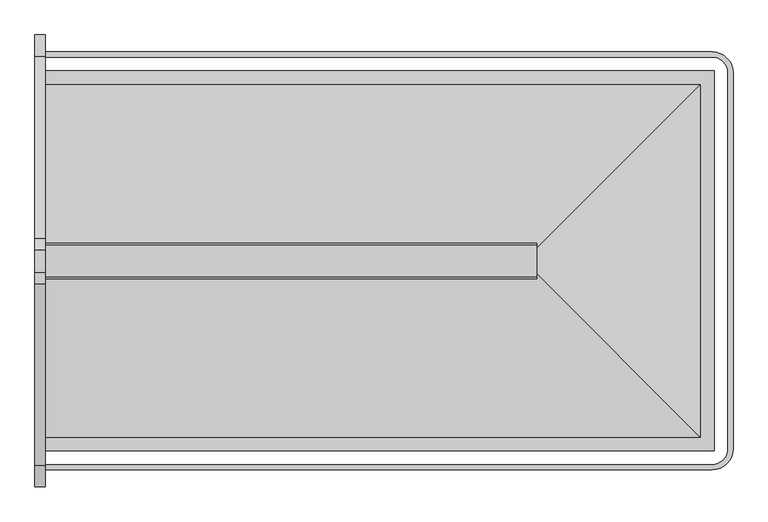
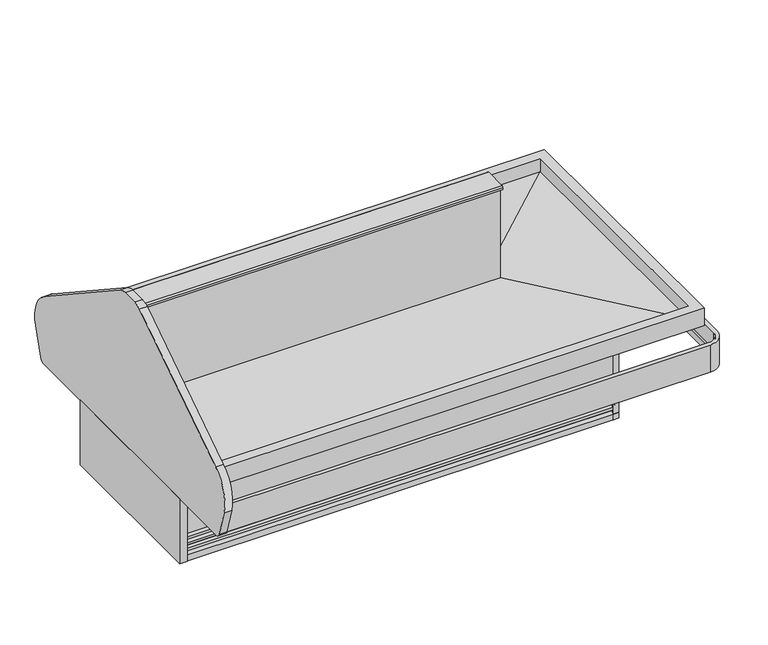
"""IFC4 building model written with IfcOpenShell, lengths in millimetres: proxy geometry."""

from ifc_helpers import new_model, si_unit, point, frame, frame_2d, origin, origin_with_axes, place, context, project, spatial, polyline, circle_curve, ellipse_curve, trimmed, segment, composite_curve, outline, extrude, faceted_brep, source, transform, mapped, element, save
from ifc_brep_helpers import plane_surface, cylinder_surface, revolved_surface, advanced_brep


def mechanical_equipment_c48a4654(model_context):
    return source(origin(), model_context, "Body", "SolidModel", [
        extrude(outline(polyline([(1744.4471585, -1349.5419805), (2049.2471585, -1349.5419805), (2049.2471585, -1451.1419805), (1744.4471585, -1451.1419805), (1744.4471585, -1349.5419805)])), frame((0.0, 0.0, 139.7), z_axis=(0.0, 0.0, 1.0), x_axis=(1.0, 0.0, 0.0)), (0.0, 0.0, 1.0), 53.975),
        extrude(outline(polyline([(2140.9598969, -1584.9212739), (2140.9598969, -1559.5212739), (2167.7766466, -1559.5212739), (2167.7766466, -1584.9212739), (2140.9598969, -1584.9212739)])), origin_with_axes(), (0.0, 0.0, 1.0), 374.65),
        extrude(outline(polyline([(2140.9598969, -741.8679807), (2167.7766466, -741.8679807), (2167.7766466, -767.2679807), (2140.9598969, -767.2679807), (2140.9598969, -741.8679807)])), origin_with_axes(), (0.0, 0.0, 1.0), 374.65),
        extrude(outline(polyline([(0.0, -731.9819232), (0.0, -1595.5819232), (-38.1, -1595.5819232), (-38.1, -731.9819232), (0.0, -731.9819232)])), frame((0.0, 0.0, 6.9057478), z_axis=(0.0, 0.0, 1.0), x_axis=(1.0, 0.0, 0.0)), (0.0, 0.0, 1.0), 345.0493522),
        extrude(outline(composite_curve([segment(trimmed(circle_curve(frame_2d((-516.8439232, 562.0131)), 177.8), [point((-419.2796259, 710.653767))], [point((-346.4870073, 511.107686))], False, "CARTESIAN"), True, "CONTINUOUS"), segment(polyline([(-346.4870073, 511.107686), (-388.6275049, 370.082898)]), True, "CONTINUOUS"), segment(trimmed(circle_curve(frame_2d((-412.9642072, 377.3551)), 25.4), [point((-388.6275049, 370.082898))], [point((-412.9642072, 351.9551))], False, "CARTESIAN"), True, "CONTINUOUS"), segment(polyline([(-412.9642072, 351.9551), (-1914.5996393, 351.9551)]), True, "CONTINUOUS"), segment(trimmed(circle_curve(frame_2d((-1914.5996393, 377.3551)), 25.4), [point((-1914.5996393, 351.9551))], [point((-1938.9363416, 370.082898))], False, "CARTESIAN"), True, "CONTINUOUS"), segment(polyline([(-1938.9363416, 370.082898), (-1981.0768392, 511.107686)]), True, "CONTINUOUS"), segment(trimmed(circle_curve(frame_2d((-1810.7199232, 562.0131)), 177.8), [point((-1981.0768392, 511.107686))], [point((-1908.2842206, 710.653767))], False, "CARTESIAN"), True, "CONTINUOUS"), segment(polyline([(-1908.2842206, 710.653767), (-1246.8701935, 1144.790643)]), True, "CONTINUOUS"), segment(trimmed(circle_curve(frame_2d((-1205.0569232, 1081.0875)), 76.2), [point((-1246.8701935, 1144.790643))], [point((-1205.0569232, 1157.2875))], False, "CARTESIAN"), True, "CONTINUOUS"), segment(polyline([(-1205.0569232, 1157.2875), (-1122.5069232, 1157.2875)]), True, "CONTINUOUS"), segment(trimmed(circle_curve(frame_2d((-1122.5069232, 1081.0875)), 76.2), [point((-1122.5069232, 1157.2875))], [point((-1080.693653, 1144.790643))], False, "CARTESIAN"), True, "CONTINUOUS"), segment(polyline([(-1080.693653, 1144.790643), (-419.2796259, 710.653767)]), True, "CONTINUOUS")], self_intersect=False)), frame((-38.1, 0.0, 0.0), z_axis=(1.0, 0.0, 0.0), x_axis=(0.0, 1.0, 0.0)), (0.0, 0.0, 1.0), 38.1),
        advanced_brep(
        [(0.0, -420.1796936, 418.0867024), (0.0, -416.2093665, 395.5698585), (2432.1002227, -416.2093665, 395.5698585), (2432.1002227, -420.1796936, 418.0867024), (0.0, -420.1796936, 502.405218), (2432.1002227, -420.1796936, 502.405218), (0.0, -401.4773665, 502.405218), (2489.4649337, -477.5444046, 502.405218), (2489.4649337, -1849.24485, 502.405218), (2432.1002227, -1906.609561, 502.405218), (0.0, -1906.609561, 502.405218), (0.0, -1925.3118881, 502.405218), (2432.1002227, -1925.3118881, 502.405218), (2508.1672608, -1849.24485, 502.405218), (2508.1672608, -477.5444046, 502.405218), (2432.1002227, -401.4773665, 502.405218), (0.0, -401.4773665, 359.148946), (2432.1002227, -401.4773665, 359.148946), (0.0, -416.2093665, 359.148946), (2508.1672608, -477.5444046, 359.148946), (2508.1672608, -1849.24485, 359.148946), (2432.1002227, -1925.3118881, 359.148946), (0.0, -1925.3118881, 359.148946), (0.0, -1910.5798881, 359.148946), (2432.1002227, -1910.5798881, 359.148946), (2493.4352608, -1849.24485, 359.148946), (2493.4352608, -477.5444046, 359.148946), (2432.1002227, -416.2093665, 359.148946), (2489.4649337, -477.5444046, 418.0867024), (2493.4352608, -477.5444046, 395.5698585), (2493.4352608, -1849.24485, 395.5698585), (2489.4649337, -1849.24485, 418.0867024), (2432.1002227, -1906.609561, 418.0867024), (2432.1002227, -1910.5798881, 395.5698585), (0.0, -1910.5798881, 395.5698585), (0.0, -1906.609561, 418.0867024)],
        [
            (0, 1),
            (1, 2),
            (2, 3),
            (3, 0),
            (4, 0),
            (3, 5),
            (5, 4),
            (6, 4),
            (5, 7, circle_curve(frame((2432.1002227, -477.5444046, 502.405218), z_axis=(0.0, 0.0, -1.0), x_axis=(0.0, 1.0, 0.0)), 57.364711)),
            (7, 8),
            (8, 9, circle_curve(frame((2432.1002227, -1849.24485, 502.405218), z_axis=(0.0, 0.0, -1.0), x_axis=(1.0, 0.0, 0.0)), 57.364711)),
            (9, 10),
            (10, 11),
            (11, 12),
            (12, 13, circle_curve(frame((2432.1002227, -1849.24485, 502.405218), z_axis=(0.0, 0.0, 1.0), x_axis=(1.0, 0.0, 0.0)), 76.0670381)),
            (13, 14),
            (14, 15, circle_curve(frame((2432.1002227, -477.5444046, 502.405218), z_axis=(0.0, 0.0, 1.0), x_axis=(0.0, 1.0, 0.0)), 76.0670381)),
            (15, 6),
            (16, 6),
            (15, 17),
            (17, 16),
            (18, 16),
            (17, 19, circle_curve(frame((2432.1002227, -477.5444046, 359.148946), z_axis=(0.0, 0.0, -1.0), x_axis=(0.0, 1.0, 0.0)), 76.0670381)),
            (19, 20),
            (20, 21, circle_curve(frame((2432.1002227, -1849.24485, 359.148946), z_axis=(0.0, 0.0, -1.0), x_axis=(1.0, 0.0, 0.0)), 76.0670381)),
            (21, 22),
            (22, 23),
            (23, 24),
            (24, 25, circle_curve(frame((2432.1002227, -1849.24485, 359.148946), z_axis=(0.0, 0.0, 1.0), x_axis=(1.0, 0.0, 0.0)), 61.3350381)),
            (25, 26),
            (26, 27, circle_curve(frame((2432.1002227, -477.5444046, 359.148946), z_axis=(0.0, 0.0, 1.0), x_axis=(0.0, 1.0, 0.0)), 61.3350381)),
            (27, 18),
            (1, 18),
            (27, 2),
            (28, 3, circle_curve(frame((2432.1002227, -477.5444046, 418.0867024), z_axis=(0.0, 0.0, 1.0), x_axis=(0.0, 1.0, 0.0)), 57.364711)),
            (2, 29, circle_curve(frame((2432.1002227, -477.5444046, 395.5698585), z_axis=(0.0, 0.0, -1.0), x_axis=(0.0, 1.0, 0.0)), 61.3350381)),
            (29, 28),
            (28, 7),
            (14, 19),
            (26, 29),
            (29, 30),
            (30, 31),
            (31, 28),
            (31, 8),
            (13, 20),
            (25, 30),
            (32, 31, circle_curve(frame((2432.1002227, -1849.24485, 418.0867024), z_axis=(0.0, 0.0, 1.0), x_axis=(1.0, 0.0, 0.0)), 57.364711)),
            (30, 33, circle_curve(frame((2432.1002227, -1849.24485, 395.5698585), z_axis=(0.0, 0.0, -1.0), x_axis=(1.0, 0.0, 0.0)), 61.3350381)),
            (33, 32),
            (32, 9),
            (12, 21),
            (24, 33),
            (34, 23),
            (22, 11),
            (10, 35),
            (35, 34),
            (33, 34),
            (35, 32),
        ],
        [
            plane_surface(frame((0.0, -416.2093665, 395.5698585), z_axis=(0.0, -0.9848077530122059, -0.17364817766694265), x_axis=(1.0, 0.0, 0.0))),
            plane_surface(frame((0.0, -420.1796936, 418.0867024), z_axis=(0.0, -1.0, 0.0), x_axis=(1.0, 0.0, 0.0))),
            plane_surface(frame((0.0, -420.1796936, 502.405218), z_axis=(0.0, 0.0, 1.0), x_axis=(1.0, 0.0, 0.0))),
            plane_surface(frame((0.0, -401.4773665, 502.405218), z_axis=(0.0, 1.0, 0.0), x_axis=(1.0, 0.0, 0.0))),
            plane_surface(frame((0.0, -401.4773665, 359.148946), z_axis=(0.0, 0.0, -1.0), x_axis=(1.0, 0.0, 0.0))),
            plane_surface(frame((0.0, -416.2093665, 359.148946), z_axis=(0.0, -1.0, 0.0), x_axis=(1.0, 0.0, 0.0))),
            revolved_surface(polyline([(2432.1002227, -416.2093665, 395.5698585), (2432.1002227, -420.1796936, 418.0867024)]), (2432.1002227, -477.5444046, 0.0), (0.0, 0.0, -1.0)),
            revolved_surface(polyline([(2432.1002227, -420.1796936, 418.0867024), (2432.1002227, -420.1796936, 502.405218)]), (2432.1002227, -477.5444046, 0.0), (0.0, 0.0, -1.0)),
            cylinder_surface(frame((2432.1002227, -477.5444046, 0.0), z_axis=(0.0, 0.0, -1.0), x_axis=(0.0, 1.0, 0.0)), 76.0670381),
            revolved_surface(polyline([(2432.1002227, -416.2093665, 359.148946), (2432.1002227, -416.2093665, 395.5698585)]), (2432.1002227, -477.5444046, 0.0), (0.0, 0.0, -1.0)),
            plane_surface(frame((2493.4352608, -477.5444046, 395.5698585), z_axis=(-0.9848077530122059, 0.0, -0.17364817766694265), x_axis=(0.0, -1.0, 0.0))),
            plane_surface(frame((2489.4649337, -477.5444046, 418.0867024), z_axis=(-1.0, 0.0, 0.0), x_axis=(0.0, -1.0, 0.0))),
            plane_surface(frame((2508.1672608, -477.5444046, 502.405218), z_axis=(1.0, 0.0, 0.0), x_axis=(0.0, -1.0, 0.0))),
            plane_surface(frame((2493.4352608, -477.5444046, 359.148946), z_axis=(-1.0, 0.0, 0.0), x_axis=(0.0, -1.0, 0.0))),
            revolved_surface(polyline([(2493.4352608, -1849.24485, 395.5698585), (2489.4649337, -1849.24485, 418.0867024)]), (2432.1002227, -1849.24485, 0.0), (0.0, 0.0, -1.0)),
            revolved_surface(polyline([(2489.4649337, -1849.24485, 418.0867024), (2489.4649337, -1849.24485, 502.405218)]), (2432.1002227, -1849.24485, 0.0), (0.0, 0.0, -1.0)),
            cylinder_surface(frame((2432.1002227, -1849.24485, 0.0), z_axis=(0.0, 0.0, -1.0), x_axis=(1.0, 0.0, 0.0)), 76.0670381),
            revolved_surface(polyline([(2493.4352608, -1849.24485, 359.148946), (2493.4352608, -1849.24485, 395.5698585)]), (2432.1002227, -1849.24485, 0.0), (0.0, 0.0, -1.0)),
            plane_surface(frame((0.0, -1925.44485, 0.0), z_axis=(-1.0, 0.0, 0.0), x_axis=(0.0, 0.0, 1.0))),
            plane_surface(frame((2432.1002227, -1910.5798881, 395.5698585), z_axis=(0.0, 0.9848077530122059, -0.17364817766694265), x_axis=(-1.0, 0.0, 0.0))),
            plane_surface(frame((2432.1002227, -1906.609561, 418.0867024), z_axis=(0.0, 1.0, 0.0), x_axis=(-1.0, 0.0, 0.0))),
            plane_surface(frame((2432.1002227, -1925.3118881, 502.405218), z_axis=(0.0, -1.0, 0.0), x_axis=(-1.0, 0.0, 0.0))),
            plane_surface(frame((2432.1002227, -1910.5798881, 359.148946), z_axis=(0.0, 1.0, 0.0), x_axis=(-1.0, 0.0, 0.0))),
            plane_surface(frame((0.0, -401.3444046, 0.0), z_axis=(-1.0, 0.0, 0.0), x_axis=(0.0, 0.0, 1.0))),
        ],
        [
            (0, [[1, 2, 3, 4]]),
            (1, [[5, -4, 6, 7]]),
            (2, [[8, -7, 9, 10, 11, 12, 13, 14, 15, 16, 17, 18]]),
            (3, [[19, -18, 20, 21]]),
            (4, [[22, -21, 23, 24, 25, 26, 27, 28, 29, 30, 31, 32]]),
            (5, [[33, -32, 34, -2]]),
            (6, [[35, -3, 36, 37]]),
            (7, [[-9, -6, -35, 38]]),
            (8, [[-23, -20, -17, 39]]),
            (9, [[-36, -34, -31, 40]]),
            (10, [[-37, 41, 42, 43]]),
            (11, [[-38, -43, 44, -10]]),
            (12, [[-39, -16, 45, -24]]),
            (13, [[-40, -30, 46, -41]]),
            (14, [[47, -42, 48, 49]]),
            (15, [[-11, -44, -47, 50]]),
            (16, [[-25, -45, -15, 51]]),
            (17, [[-48, -46, -29, 52]]),
            (18, [[53, -27, 54, -13, 55, 56]]),
            (19, [[-49, 57, -56, 58]]),
            (20, [[-50, -58, -55, -12]]),
            (21, [[-51, -14, -54, -26]]),
            (22, [[-52, -28, -53, -57]]),
            (23, [[-1, -5, -8, -19, -22, -33]]),
        ],
    ),
        extrude(outline(composite_curve([segment(trimmed(circle_curve(frame_2d((1219.23601, -1163.895984)), 19.05), [point((1200.18601, -1163.895984))], [point((1238.28601, -1163.895984))], False, "CARTESIAN"), True, "CONTINUOUS"), segment(trimmed(circle_curve(frame_2d((1219.23601, -1163.895984)), 19.05), [point((1238.28601, -1163.895984))], [point((1200.18601, -1163.895984))], False, "CARTESIAN"), True, "CONTINUOUS")], self_intersect=False)), frame((0.0, 0.0, 76.8737583), z_axis=(0.0, 0.0, 1.0), x_axis=(1.0, 0.0, 0.0)), (0.0, 0.0, 1.0), 177.1262417),
        extrude(outline(composite_curve([segment(trimmed(circle_curve(frame_2d((1201.880696, -839.5446273)), 11.1125), [point((1190.768196, -839.5446273))], [point((1212.993196, -839.5446273))], False, "CARTESIAN"), True, "CONTINUOUS"), segment(trimmed(circle_curve(frame_2d((1201.880696, -839.5446273)), 11.1125), [point((1212.993196, -839.5446273))], [point((1190.768196, -839.5446273))], False, "CARTESIAN"), True, "CONTINUOUS")], self_intersect=False)), frame((0.0, 0.0, 76.8737583), z_axis=(0.0, 0.0, 1.0), x_axis=(1.0, 0.0, 0.0)), (0.0, 0.0, 1.0), 177.1262417),
        extrude(outline(composite_curve([segment(trimmed(circle_curve(frame_2d((1226.7403435, -839.5446273)), 4.7625), [point((1221.9778435, -839.5446273))], [point((1231.5028435, -839.5446273))], False, "CARTESIAN"), True, "CONTINUOUS"), segment(trimmed(circle_curve(frame_2d((1226.7403435, -839.5446273)), 4.7625), [point((1231.5028435, -839.5446273))], [point((1221.9778435, -839.5446273))], False, "CARTESIAN"), True, "CONTINUOUS")], self_intersect=False)), frame((0.0, 0.0, 76.8737583), z_axis=(0.0, 0.0, 1.0), x_axis=(1.0, 0.0, 0.0)), (0.0, 0.0, 1.0), 177.1262417),
        advanced_brep(
        [(0.0, -1584.6852943, 354.4616084), (0.0, -1584.6852943, 146.1174288), (2167.540667, -1584.6852943, 146.1174288), (2167.540667, -1584.6852943, 354.4616084), (0.0, -1565.1907943, 374.65), (0.0, -1565.1907943, 354.4616084), (2148.046167, -1565.1907943, 354.4616084), (2148.046167, -1565.1907943, 374.65), (0.0, -1465.3557062, 146.1174288), (0.0, -1465.3557062, 374.65), (2048.2110789, -1465.3557062, 374.65), (2048.2110789, -1465.3557062, 198.7540798), (1741.1491321, -1465.3557062, 198.7540798), (1741.1491321, -1465.3557062, 146.1174288), (2167.540667, -742.1039603, 146.1174288), (2167.540667, -742.1039603, 354.4616084), (2148.046167, -761.5984603, 354.4616084), (2148.046167, -761.5984603, 374.65), (2048.2110789, -861.4335484, 374.65), (2048.2110789, -861.4335484, 146.1174288), (2048.2110789, -1332.4893336, 146.1174288), (2048.2110789, -1332.4893336, 198.7540798), (0.0, -742.1039603, 354.4616084), (0.0, -742.1039603, 146.1174288), (0.0, -761.5984603, 354.4616084), (0.0, -761.5984603, 374.65), (0.0, -861.4335484, 374.65), (0.0, -861.4335484, 146.1174288), (1193.0263558, -861.4335484, 146.1174288), (1193.0263558, -861.4335484, 254.0), (1239.0236442, -861.4335484, 254.0), (1239.0236442, -861.4335484, 146.1174288), (1184.275, -839.5446273, 254.0), (1247.775, -839.5446273, 254.0), (1247.775, -839.5446273, 146.1174288), (1184.275, -839.5446273, 146.1174288), (2052.2991321, -1332.4893336, 198.7540798), (2052.2991321, -1468.1946273, 198.7540798), (1741.1491321, -1468.1946273, 198.7540798), (2052.2991321, -1468.1946273, 146.1174288), (1741.1491321, -1468.1946273, 146.1174288), (2052.2991321, -1332.4893336, 146.1174288)],
        [
            (0, 1),
            (1, 2),
            (2, 3),
            (3, 0),
            (4, 5),
            (5, 6),
            (6, 7),
            (7, 4),
            (8, 9),
            (9, 10),
            (10, 11),
            (11, 12),
            (12, 13),
            (13, 8),
            (2, 14),
            (14, 15),
            (15, 3),
            (6, 16),
            (16, 17),
            (17, 7),
            (10, 18),
            (18, 19),
            (19, 20),
            (20, 21),
            (21, 11),
            (22, 15),
            (14, 23),
            (23, 22),
            (16, 24),
            (24, 25),
            (25, 17),
            (18, 26),
            (26, 27),
            (27, 28),
            (28, 29),
            (29, 30),
            (30, 31),
            (31, 19),
            (32, 33, circle_curve(frame((1216.025, -839.5446273, 254.0), z_axis=(0.0, 0.0, -1.0), x_axis=(1.0, 0.0, 0.0)), 31.75)),
            (33, 30, circle_curve(frame((1216.025, -839.5446273, 254.0), z_axis=(0.0, 0.0, -1.0), x_axis=(1.0, 0.0, 0.0)), 31.75)),
            (29, 32, circle_curve(frame((1216.025, -839.5446273, 254.0), z_axis=(0.0, 0.0, -1.0), x_axis=(1.0, 0.0, 0.0)), 31.75)),
            (33, 34),
            (34, 31, circle_curve(frame((1216.025, -839.5446273, 146.1174288), z_axis=(0.0, 0.0, -1.0), x_axis=(1.0, 0.0, 0.0)), 31.75)),
            (28, 35, circle_curve(frame((1216.025, -839.5446273, 146.1174288), z_axis=(0.0, 0.0, -1.0), x_axis=(1.0, 0.0, 0.0)), 31.75)),
            (35, 32),
            (35, 34, circle_curve(frame((1216.025, -839.5446273, 146.1174288), z_axis=(0.0, 0.0, -1.0), x_axis=(1.0, 0.0, 0.0)), 31.75)),
            (36, 37),
            (37, 38),
            (38, 12),
            (21, 36),
            (37, 39),
            (39, 40),
            (40, 38),
            (36, 41),
            (41, 39),
            (20, 41),
            (40, 13),
            (0, 5),
            (4, 9),
            (8, 1),
            (22, 24),
            (25, 26),
            (27, 23),
        ],
        [
            plane_surface(frame((0.0, -1584.6852943, 146.1174288), z_axis=(0.0, -1.0, 0.0), x_axis=(1.0, 0.0, 0.0))),
            plane_surface(frame((0.0, -1565.1907943, 354.4616084), z_axis=(0.0, -1.0, 0.0), x_axis=(1.0, 0.0, 0.0))),
            plane_surface(frame((0.0, -1465.3557062, 374.65), z_axis=(0.0, 1.0, 0.0), x_axis=(1.0, 0.0, 0.0))),
            plane_surface(frame((2167.540667, -1584.6852943, 146.1174288), z_axis=(1.0, 0.0, 0.0), x_axis=(0.0, 1.0, 0.0))),
            plane_surface(frame((2148.046167, -1565.1907943, 354.4616084), z_axis=(1.0, 0.0, 0.0), x_axis=(0.0, 1.0, 0.0))),
            plane_surface(frame((2048.2110789, -1465.3557062, 374.65), z_axis=(-1.0, 0.0, 0.0), x_axis=(0.0, 1.0, 0.0))),
            plane_surface(frame((2167.540667, -742.1039603, 146.1174288), z_axis=(0.0, 1.0, 0.0), x_axis=(-1.0, 0.0, 0.0))),
            plane_surface(frame((2148.046167, -761.5984603, 354.4616084), z_axis=(0.0, 1.0, 0.0), x_axis=(-1.0, 0.0, 0.0))),
            plane_surface(frame((2048.2110789, -861.4335484, 374.65), z_axis=(0.0, -1.0, 0.0), x_axis=(-1.0, 0.0, 0.0))),
            plane_surface(frame((1247.775, -839.5446273, 254.0), z_axis=(0.0, 0.0, -1.0), x_axis=(0.0, 1.0, 0.0))),
            revolved_surface(polyline([(1247.775, -839.5446273, 254.0), (1247.775, -839.5446273, 146.1174288)]), (1216.025, -839.5446273, 0.0), (0.0, 0.0, 1.0)),
            plane_surface(frame((2052.2991321, -1468.1946273, 198.7540798), z_axis=(0.0, 0.0, -1.0), x_axis=(1.0, 0.0, 0.0))),
            plane_surface(frame((1741.1491321, -1468.1946273, 198.7540798), z_axis=(0.0, 1.0, 0.0), x_axis=(0.0, 0.0, -1.0))),
            plane_surface(frame((2052.2991321, -1468.1946273, 198.7540798), z_axis=(-1.0, 0.0, 0.0), x_axis=(0.0, 0.0, -1.0))),
            plane_surface(frame((2052.2991321, -1332.4893336, 198.7540798), z_axis=(0.0, -1.0, 0.0), x_axis=(0.0, 0.0, -1.0))),
            plane_surface(frame((1741.1491321, -1332.4893336, 198.7540798), z_axis=(1.0, 0.0, 0.0), x_axis=(0.0, 0.0, -1.0))),
            plane_surface(frame((0.0, -1977.7821273, 0.0), z_axis=(-1.0, 0.0, 0.0), x_axis=(0.0, 0.0, 1.0))),
            plane_surface(frame((0.0, -1584.6852943, 354.4616084), z_axis=(0.0, 0.0, 1.0), x_axis=(1.0, 0.0, 0.0))),
            plane_surface(frame((0.0, -1565.1907943, 374.65), z_axis=(0.0, 0.0, 1.0), x_axis=(1.0, 0.0, 0.0))),
            plane_surface(frame((0.0, -1465.3557062, 146.1174288), z_axis=(0.0, 0.0, -1.0), x_axis=(1.0, 0.0, 0.0))),
            plane_surface(frame((0.0, -349.0071273, 0.0), z_axis=(-1.0, 0.0, 0.0), x_axis=(0.0, 0.0, 1.0))),
        ],
        [
            (0, [[1, 2, 3, 4]]),
            (1, [[5, 6, 7, 8]]),
            (2, [[9, 10, 11, 12, 13, 14]]),
            (3, [[-3, 15, 16, 17]]),
            (4, [[18, 19, 20, -7]]),
            (5, [[21, 22, 23, 24, 25, -11]]),
            (6, [[26, -16, 27, 28]]),
            (7, [[29, 30, 31, -19]]),
            (8, [[32, 33, 34, 35, 36, 37, 38, -22]]),
            (9, [[39, 40, -36, 41]]),
            (10, [[-40, 42, 43, -37]]),
            (10, [[-41, -35, 44, 45]]),
            (10, [[-39, -45, 46, -42]]),
            (11, [[47, 48, 49, -12, -25, 50]]),
            (12, [[-48, 51, 52, 53]]),
            (13, [[-47, 54, 55, -51]]),
            (14, [[-50, -24, 56, -54]]),
            (15, [[-49, -53, 57, -13]]),
            (16, [[-1, 58, -5, 59, -9, 60]]),
            (17, [[-58, -4, -17, -26, 61, -29, -18, -6]]),
            (18, [[-59, -8, -20, -31, 62, -32, -21, -10]]),
            (19, [[-60, -14, -57, -52, -55, -56, -23, -38, -43, -46, -44, -34, 63, -27, -15, -2]]),
            (20, [[-61, -28, -63, -33, -62, -30]]),
        ],
    ),
        advanced_brep(
        [(2048.2110789, -861.4335484, 374.65), (2048.2110789, -824.9422387, 374.65), (2048.2110789, -824.9422387, 439.7810985), (2048.2110789, -1117.3508313, 429.0471023), (2048.2110789, -1117.3508313, 581.4120358), (2048.2110789, -1209.4384232, 581.4120358), (2048.2110789, -1209.4384232, 429.0471023), (2048.2110789, -1501.8470159, 439.7810985), (2048.2110789, -1501.8470159, 374.65), (2048.2110789, -1465.3557062, 374.65), (2048.2110789, -1465.3557062, 198.7540798), (2048.2110789, -1332.4893336, 198.7540798), (2048.2110789, -1332.4893336, 139.7), (2048.2110789, -861.4335484, 139.7), (0.0, -861.4335484, 374.65), (0.0, -861.4335484, 139.7), (0.0, -1465.3557062, 139.7), (0.0, -1465.3557062, 374.65), (0.0, -1501.8470159, 374.65), (0.0, -1501.8470159, 439.7810985), (0.0, -1209.4384232, 429.0471023), (0.0, -1209.4384232, 581.4120358), (0.0, -1117.3508313, 581.4120358), (0.0, -1117.3508313, 429.0471023), (0.0, -824.9422387, 439.7810985), (0.0, -824.9422387, 374.65), (1741.1491321, -1465.3557062, 139.7), (1741.1491321, -1465.3557062, 198.7540798), (1193.0263558, -861.4335484, 139.7), (1239.0236442, -861.4335484, 139.7), (1741.1491321, -1332.4893336, 139.7), (1193.8, -1163.895984, 139.7), (1244.6, -1163.895984, 139.7), (1239.0236442, -861.4335484, 254.0), (1193.0263558, -861.4335484, 254.0), (1193.8, -1163.895984, 254.0), (1244.6, -1163.895984, 254.0), (1741.1491321, -1332.4893336, 198.7540798)],
        [
            (0, 1),
            (1, 2),
            (2, 3),
            (3, 4),
            (4, 5),
            (5, 6),
            (6, 7),
            (7, 8),
            (8, 9),
            (9, 10),
            (10, 11),
            (11, 12),
            (12, 13),
            (13, 0),
            (14, 15),
            (15, 16),
            (16, 17),
            (17, 18),
            (18, 19),
            (19, 20),
            (20, 21),
            (21, 22),
            (22, 23),
            (23, 24),
            (24, 25),
            (25, 14),
            (0, 14),
            (25, 1),
            (3, 23),
            (22, 4),
            (21, 5),
            (20, 6),
            (16, 26),
            (26, 27),
            (27, 10),
            (9, 17),
            (15, 28),
            (28, 29, circle_curve(frame((1216.025, -839.5446273, 139.7), z_axis=(0.0, 0.0, 1.0), x_axis=(1.0, 0.0, 0.0)), 31.75)),
            (29, 13),
            (12, 30),
            (30, 26),
            (31, 32, circle_curve(frame((1219.2, -1163.895984, 139.7), z_axis=(0.0, 0.0, 1.0), x_axis=(1.0, 0.0, 0.0)), 25.4)),
            (32, 31, circle_curve(frame((1219.2, -1163.895984, 139.7), z_axis=(0.0, 0.0, 1.0), x_axis=(1.0, 0.0, 0.0)), 25.4)),
            (29, 33),
            (33, 34),
            (34, 28),
            (24, 2),
            (19, 7),
            (18, 8),
            (33, 34, circle_curve(frame((1216.025, -839.5446273, 254.0), z_axis=(0.0, 0.0, -1.0), x_axis=(1.0, 0.0, 0.0)), 31.75)),
            (35, 36, circle_curve(frame((1219.2, -1163.895984, 254.0), z_axis=(0.0, 0.0, -1.0), x_axis=(1.0, 0.0, 0.0)), 25.4)),
            (36, 35, circle_curve(frame((1219.2, -1163.895984, 254.0), z_axis=(0.0, 0.0, -1.0), x_axis=(1.0, 0.0, 0.0)), 25.4)),
            (36, 32),
            (31, 35),
            (27, 37),
            (37, 11),
            (37, 30),
        ],
        [
            plane_surface(frame((2048.2110789, -861.4335484, 374.65), z_axis=(1.0, 0.0, 0.0), x_axis=(0.0, 1.0, 0.0))),
            plane_surface(frame((0.0, -861.4335484, 374.65), z_axis=(-1.0, 0.0, 0.0), x_axis=(0.0, -1.0, 0.0))),
            plane_surface(frame((2048.2110789, -861.4335484, 374.65), z_axis=(0.0, 0.0, -1.0), x_axis=(-1.0, 0.0, 0.0))),
            plane_surface(frame((2048.2110789, -1117.3508313, 429.0471023), z_axis=(0.0, 1.0, 0.0), x_axis=(-1.0, 0.0, 0.0))),
            plane_surface(frame((2048.2110789, -1117.3508313, 581.4120358), z_axis=(0.0, 0.0, 1.0), x_axis=(-1.0, 0.0, 0.0))),
            plane_surface(frame((2048.2110789, -1209.4384232, 581.4120358), z_axis=(0.0, -1.0, 0.0), x_axis=(-1.0, 0.0, 0.0))),
            plane_surface(frame((2048.2110789, -1465.3557062, 374.65), z_axis=(0.0, -1.0, 0.0), x_axis=(-1.0, 0.0, 0.0))),
            plane_surface(frame((2048.2110789, -1465.3557062, 139.7), z_axis=(0.0, 0.0, -1.0), x_axis=(-1.0, 0.0, 0.0))),
            plane_surface(frame((2048.2110789, -861.4335484, 139.7), z_axis=(0.0, 1.0, 0.0), x_axis=(-1.0, 0.0, 0.0))),
            plane_surface(frame((2048.2110789, -824.9422387, 374.65), z_axis=(0.0, 1.0, 0.0), x_axis=(-1.0, 0.0, 0.0))),
            plane_surface(frame((2048.2110789, -824.9422387, 439.7810985), z_axis=(0.0, -0.036684186164122584, 0.9993269087168003), x_axis=(-1.0, 0.0, 0.0))),
            plane_surface(frame((2048.2110789, -1209.4384232, 429.0471023), z_axis=(0.0, 0.0366841861641127, 0.9993269087168006), x_axis=(-1.0, 0.0, 0.0))),
            plane_surface(frame((2048.2110789, -1501.8470159, 439.7810985), z_axis=(0.0, -1.0, 0.0), x_axis=(-1.0, 0.0, 0.0))),
            plane_surface(frame((2048.2110789, -1501.8470159, 374.65), z_axis=(0.0, 0.0, -1.0), x_axis=(-1.0, 0.0, 0.0))),
            plane_surface(frame((1247.775, -839.5446273, 254.0), z_axis=(0.0, 0.0, -1.0), x_axis=(0.0, 1.0, 0.0))),
            revolved_surface(polyline([(1247.775, -839.5446273, 254.0), (1247.775, -839.5446273, 139.7)]), (1216.025, -839.5446273, 0.0), (0.0, 0.0, 1.0)),
            plane_surface(frame((1244.6, -1163.895984, 254.0), z_axis=(0.0, 0.0, -1.0), x_axis=(0.0, 1.0, 0.0))),
            revolved_surface(polyline([(1244.6000000000001, -1163.895984, 254.0), (1244.6000000000001, -1163.895984, 139.7)]), (1219.2, -1163.895984, 0.0), (0.0, 0.0, 1.0)),
            plane_surface(frame((2052.2991321, -1468.1946273, 198.7540798), z_axis=(0.0, 0.0, -1.0), x_axis=(1.0, 0.0, 0.0))),
            plane_surface(frame((2052.2991321, -1332.4893336, 198.7540798), z_axis=(0.0, -1.0, 0.0), x_axis=(0.0, 0.0, -1.0))),
            plane_surface(frame((1741.1491321, -1332.4893336, 198.7540798), z_axis=(1.0, 0.0, 0.0), x_axis=(0.0, 0.0, -1.0))),
        ],
        [
            (0, [[1, 2, 3, 4, 5, 6, 7, 8, 9, 10, 11, 12, 13, 14]]),
            (1, [[15, 16, 17, 18, 19, 20, 21, 22, 23, 24, 25, 26]]),
            (2, [[-1, 27, -26, 28]]),
            (3, [[-4, 29, -23, 30]]),
            (4, [[-5, -30, -22, 31]]),
            (5, [[-6, -31, -21, 32]]),
            (6, [[-17, 33, 34, 35, -10, 36]]),
            (7, [[-16, 37, 38, 39, -13, 40, 41, -33], [42, 43]]),
            (8, [[-14, -39, 44, 45, 46, -37, -15, -27]]),
            (9, [[-2, -28, -25, 47]]),
            (10, [[-3, -47, -24, -29]]),
            (11, [[-7, -32, -20, 48]]),
            (12, [[-8, -48, -19, 49]]),
            (13, [[-9, -49, -18, -36]]),
            (14, [[50, -45]]),
            (15, [[-50, -44, -38, -46]]),
            (16, [[51, 52]]),
            (17, [[-52, 53, -42, 54]]),
            (17, [[-51, -54, -43, -53]]),
            (18, [[55, 56, -11, -35]]),
            (19, [[-56, 57, -40, -12]]),
            (20, [[-55, -34, -41, -57]]),
        ],
    ),
        advanced_brep(
        [(2167.7766466, -1584.9212739, 31.5422302), (2167.7766466, -1584.9212739, 0.0), (2167.7766466, -741.8679807, 0.0), (2167.7766466, -741.8679807, 31.5422302), (2154.1588436, -755.4857837, 41.1495431), (2154.1588436, -1571.3034709, 41.1495431), (2150.6697466, -758.9748807, 52.3148032), (2150.6697466, -1567.8143739, 52.3148032), (2161.3069418, -748.3376855, 50.1569804), (2161.3069418, -1578.4515691, 50.1569804), (2163.3008418, -1580.4454691, 62.8569804), (2163.3008418, -1580.4454691, 50.1569804), (2163.3008418, -746.3437855, 50.1569804), (2163.3008418, -746.3437855, 62.8569804), (2154.1588436, -755.4857837, 72.1217262), (2154.1588436, -1571.3034709, 72.1217262), (2150.6697466, -758.9748807, 83.2869863), (2150.6697466, -1567.8143739, 83.2869863), (2161.3069418, -748.3376855, 81.1291635), (2161.3069418, -1578.4515691, 81.1291635), (2163.3008418, -1580.4454691, 93.8291635), (2163.3008418, -1580.4454691, 81.1291635), (2163.3008418, -746.3437855, 81.1291635), (2163.3008418, -746.3437855, 93.8291635), (2154.1588436, -755.4857837, 103.0939093), (2154.1588436, -1571.3034709, 103.0939093), (2150.6697466, -758.9748807, 114.1327174), (2150.6697466, -1567.8143739, 114.1327174), (2161.3069418, -748.3376855, 112.1015335), (2161.3069418, -1578.4515691, 112.1015335), (2163.3008418, -1580.4454691, 124.8015335), (2163.3008418, -1580.4454691, 112.1015335), (2163.3008418, -746.3437855, 112.1015335), (2163.3008418, -746.3437855, 124.8015335), (2150.6697466, -758.9748807, 137.5013466), (2150.6697466, -1567.8143739, 137.5013466), (2150.6697466, -758.9748807, 146.1174288), (2150.6697466, -1567.8143739, 146.1174288), (2144.4971585, -1561.6417858, 0.0), (2144.4971585, -1561.6417858, 146.1174288), (2144.4971585, -765.1474688, 146.1174288), (2144.4971585, -765.1474688, 0.0), (0.0, -741.8679807, 0.0), (0.0, -741.8679807, 31.5422302), (0.0, -755.4857837, 41.1495431), (0.0, -758.9748807, 52.3148032), (0.0, -748.3376855, 50.1569804), (0.0, -746.3437855, 50.1569804), (0.0, -746.3437855, 62.8569804), (0.0, -755.4857837, 72.1217262), (0.0, -758.9748807, 83.2869863), (0.0, -748.3376855, 81.1291635), (0.0, -746.3437855, 81.1291635), (0.0, -746.3437855, 93.8291635), (0.0, -755.4857837, 103.0939093), (0.0, -758.9748807, 114.1327174), (0.0, -748.3376855, 112.1015335), (0.0, -746.3437855, 112.1015335), (0.0, -746.3437855, 124.8015335), (0.0, -758.9748807, 137.5013466), (0.0, -758.9748807, 146.1174288), (0.0, -765.1474688, 146.1174288), (0.0, -765.1474688, 0.0), (0.0, -1584.9212739, 31.5422302), (0.0, -1584.9212739, 0.0), (0.0, -1571.3034709, 41.1495431), (0.0, -1567.8143739, 52.3148032), (0.0, -1578.4515691, 50.1569804), (0.0, -1580.4454691, 50.1569804), (0.0, -1580.4454691, 62.8569804), (0.0, -1571.3034709, 72.1217262), (0.0, -1567.8143739, 83.2869863), (0.0, -1578.4515691, 81.1291635), (0.0, -1580.4454691, 81.1291635), (0.0, -1580.4454691, 93.8291635), (0.0, -1571.3034709, 103.0939093), (0.0, -1567.8143739, 114.1327174), (0.0, -1578.4515691, 112.1015335), (0.0, -1580.4454691, 112.1015335), (0.0, -1580.4454691, 124.8015335), (0.0, -1567.8143739, 137.5013466), (0.0, -1567.8143739, 146.1174288), (0.0, -1561.6417858, 146.1174288), (0.0, -1561.6417858, 0.0)],
        [
            (0, 1),
            (1, 2),
            (2, 3),
            (3, 0),
            (3, 4, ellipse_curve(frame((2166.4926808, -743.1519465, 44.1771593), z_axis=(-0.7071067811865475, 0.7071067811865475, 0.0), x_axis=(0.7071067811865474, 0.7071067811865476, 0.0)), 17.9605122, 12.7)),
            (4, 5),
            (5, 0, ellipse_curve(frame((2166.4926808, -1583.6373081, 44.1771593), z_axis=(-0.7071067811865475, -0.7071067811865475, 0.0), x_axis=(-0.7071067811865474, 0.7071067811865476, 0.0)), 17.9605122, 12.7)),
            (4, 6),
            (6, 7),
            (7, 5),
            (6, 8),
            (8, 9),
            (9, 7),
            (10, 11),
            (11, 12),
            (12, 13),
            (13, 10),
            (13, 14, ellipse_curve(frame((2166.4926808, -743.1519465, 75.1493424), z_axis=(-0.7071067811865475, 0.7071067811865475, 0.0), x_axis=(0.7071067811865474, 0.7071067811865476, 0.0)), 17.9605122, 12.7)),
            (14, 15),
            (15, 10, ellipse_curve(frame((2166.4926808, -1583.6373081, 75.1493424), z_axis=(-0.7071067811865475, -0.7071067811865475, 0.0), x_axis=(-0.7071067811865474, 0.7071067811865476, 0.0)), 17.9605122, 12.7)),
            (14, 16),
            (16, 17),
            (17, 15),
            (16, 18),
            (18, 19),
            (19, 17),
            (20, 21),
            (21, 22),
            (22, 23),
            (23, 20),
            (23, 24, ellipse_curve(frame((2166.4926808, -743.1519465, 106.1215255), z_axis=(-0.7071067811865475, 0.7071067811865475, 0.0), x_axis=(0.7071067811865474, 0.7071067811865476, 0.0)), 17.9605122, 12.7)),
            (24, 25),
            (25, 20, ellipse_curve(frame((2166.4926808, -1583.6373081, 106.1215255), z_axis=(-0.7071067811865475, -0.7071067811865475, 0.0), x_axis=(-0.7071067811865474, 0.7071067811865476, 0.0)), 17.9605122, 12.7)),
            (24, 26),
            (26, 27),
            (27, 25),
            (26, 28),
            (28, 29),
            (29, 27),
            (30, 31),
            (31, 32),
            (32, 33),
            (33, 30),
            (33, 34, ellipse_curve(frame((2163.3697466, -746.2748807, 137.5013466), z_axis=(-0.7071067811865475, 0.7071067811865475, 0.0), x_axis=(0.7071067811865474, 0.7071067811865476, 0.0)), 17.9605122, 12.7)),
            (34, 35),
            (35, 30, ellipse_curve(frame((2163.3697466, -1580.5143739, 137.5013466), z_axis=(-0.7071067811865475, -0.7071067811865475, 0.0), x_axis=(-0.7071067811865474, 0.7071067811865476, 0.0)), 17.9605122, 12.7)),
            (34, 36),
            (36, 37),
            (37, 35),
            (38, 39),
            (39, 40),
            (40, 41),
            (41, 38),
            (42, 43),
            (43, 3),
            (2, 42),
            (43, 44, circle_curve(frame((0.0, -743.1519465, 44.1771593), z_axis=(-1.0, 0.0, 0.0), x_axis=(0.0, -1.0, 0.0)), 12.7)),
            (44, 4),
            (44, 45),
            (45, 6),
            (45, 46),
            (46, 8),
            (47, 48),
            (48, 13),
            (12, 47),
            (48, 49, circle_curve(frame((0.0, -743.1519465, 75.1493424), z_axis=(-1.0, 0.0, 0.0), x_axis=(0.0, -1.0, 0.0)), 12.7)),
            (49, 14),
            (49, 50),
            (50, 16),
            (50, 51),
            (51, 18),
            (52, 53),
            (53, 23),
            (22, 52),
            (53, 54, circle_curve(frame((0.0, -743.1519465, 106.1215255), z_axis=(-1.0, 0.0, 0.0), x_axis=(0.0, -1.0, 0.0)), 12.7)),
            (54, 24),
            (54, 55),
            (55, 26),
            (55, 56),
            (56, 28),
            (57, 58),
            (58, 33),
            (32, 57),
            (58, 59, circle_curve(frame((0.0, -746.2748807, 137.5013466), z_axis=(-1.0, 0.0, 0.0), x_axis=(0.0, -1.0, 0.0)), 12.7)),
            (59, 34),
            (59, 60),
            (60, 36),
            (61, 62),
            (62, 41),
            (40, 61),
            (63, 64),
            (64, 1),
            (0, 63),
            (65, 63, circle_curve(frame((0.0, -1583.6373081, 44.1771593), z_axis=(-1.0, 0.0, 0.0), x_axis=(0.0, 1.0, 0.0)), 12.7)),
            (5, 65),
            (66, 65),
            (7, 66),
            (67, 66),
            (9, 67),
            (68, 67),
            (46, 47),
            (11, 68),
            (69, 68),
            (10, 69),
            (70, 69, circle_curve(frame((0.0, -1583.6373081, 75.1493424), z_axis=(-1.0, 0.0, 0.0), x_axis=(0.0, 1.0, 0.0)), 12.7)),
            (15, 70),
            (71, 70),
            (17, 71),
            (72, 71),
            (19, 72),
            (73, 72),
            (51, 52),
            (21, 73),
            (74, 73),
            (20, 74),
            (75, 74, circle_curve(frame((0.0, -1583.6373081, 106.1215255), z_axis=(-1.0, 0.0, 0.0), x_axis=(0.0, 1.0, 0.0)), 12.7)),
            (25, 75),
            (76, 75),
            (27, 76),
            (77, 76),
            (29, 77),
            (78, 77),
            (56, 57),
            (31, 78),
            (79, 78),
            (30, 79),
            (80, 79, circle_curve(frame((0.0, -1580.5143739, 137.5013466), z_axis=(-1.0, 0.0, 0.0), x_axis=(0.0, 1.0, 0.0)), 12.7)),
            (35, 80),
            (81, 80),
            (37, 81),
            (82, 81),
            (60, 61),
            (39, 82),
            (83, 82),
            (38, 83),
            (64, 83),
            (62, 42),
        ],
        [
            plane_surface(frame((2167.7766466, -1584.9212739, 0.0), z_axis=(1.0, 0.0, 0.0), x_axis=(0.0, 1.0, 0.0))),
            revolved_surface(polyline([(2153.7926808, -730.4519465297965, 44.1771593), (2153.7926808, -1596.3373080702036, 44.1771593)]), (2166.4926808, -1977.7821273, 44.1771593), (0.0, 1.0, 0.0)),
            plane_surface(frame((2154.1588436, -1571.3034709, 41.1495431), z_axis=(0.9544811145040103, 0.0, 0.2982713564108735), x_axis=(0.0, 1.0, 0.0))),
            plane_surface(frame((2150.6697466, -1567.8143739, 52.3148032), z_axis=(-0.1988070788770616, 0.0, -0.9800386448443601), x_axis=(0.0, 1.0, 0.0))),
            plane_surface(frame((2163.3008418, -1580.4454691, 50.1569804), z_axis=(1.0, 0.0, 0.0), x_axis=(0.0, 1.0, 0.0))),
            revolved_surface(polyline([(2153.7926808, -730.4519465297965, 75.1493424), (2153.7926808, -1596.3373080702036, 75.1493424)]), (2166.4926808, -1977.7821273, 75.1493424), (0.0, 1.0, 0.0)),
            plane_surface(frame((2154.1588436, -1571.3034709, 72.1217262), z_axis=(0.9544811145040911, 0.0, 0.29827135641061525), x_axis=(0.0, 1.0, 0.0))),
            plane_surface(frame((2150.6697466, -1567.8143739, 83.2869863), z_axis=(-0.19880707887706084, 0.0, -0.9800386448443603), x_axis=(0.0, 1.0, 0.0))),
            plane_surface(frame((2163.3008418, -1580.4454691, 81.1291635), z_axis=(1.0, 0.0, 0.0), x_axis=(0.0, 1.0, 0.0))),
            revolved_surface(polyline([(2153.7926808, -730.4519465297965, 106.1215255), (2153.7926808, -1596.3373080702036, 106.1215255)]), (2166.4926808, -1977.7821273, 106.1215255), (0.0, 1.0, 0.0)),
            plane_surface(frame((2154.1588436, -1571.3034709, 103.0939093), z_axis=(0.9535043111327923, 0.0, 0.301379376618871), x_axis=(0.0, 1.0, 0.0))),
            plane_surface(frame((2150.6697466, -1567.8143739, 114.1327174), z_axis=(-0.18756221551811014, 0.0, -0.9822527247658507), x_axis=(0.0, 1.0, 0.0))),
            plane_surface(frame((2163.3008418, -1580.4454691, 112.1015335), z_axis=(1.0, 0.0, 0.0), x_axis=(0.0, 1.0, 0.0))),
            revolved_surface(polyline([(2150.6697466, -733.5748807297964, 137.5013466), (2150.6697466, -1593.2143738702036, 137.5013466)]), (2163.3697466, -1977.7821273, 137.5013466), (0.0, 1.0, 0.0)),
            plane_surface(frame((2150.6697466, -1567.8143739, 137.5013466), z_axis=(1.0, 0.0, 0.0), x_axis=(0.0, 1.0, 0.0))),
            plane_surface(frame((2144.4971585, -1561.6417858, 146.1174288), z_axis=(-1.0, 0.0, 0.0), x_axis=(0.0, 1.0, 0.0))),
            plane_surface(frame((2167.7766466, -741.8679807, 0.0), z_axis=(0.0, 1.0, 0.0), x_axis=(-1.0, 0.0, 0.0))),
            revolved_surface(polyline([(0.0, -755.8519465, 44.1771593), (2179.192680770204, -755.8519465, 44.1771593)]), (2560.6375, -743.1519465, 44.1771593), (-1.0, 0.0, 0.0)),
            plane_surface(frame((2154.1588436, -755.4857837, 41.1495431), z_axis=(0.0, 0.9544811145040103, 0.2982713564108735), x_axis=(-1.0, 0.0, 0.0))),
            plane_surface(frame((2150.6697466, -758.9748807, 52.3148032), z_axis=(0.0, -0.1988070788770616, -0.9800386448443601), x_axis=(-1.0, 0.0, 0.0))),
            plane_surface(frame((2163.3008418, -746.3437855, 50.1569804), z_axis=(0.0, 1.0, 0.0), x_axis=(-1.0, 0.0, 0.0))),
            revolved_surface(polyline([(0.0, -755.8519465, 75.1493424), (2179.192680770204, -755.8519465, 75.1493424)]), (2560.6375, -743.1519465, 75.1493424), (-1.0, 0.0, 0.0)),
            plane_surface(frame((2154.1588436, -755.4857837, 72.1217262), z_axis=(0.0, 0.9544811145040911, 0.29827135641061525), x_axis=(-1.0, 0.0, 0.0))),
            plane_surface(frame((2150.6697466, -758.9748807, 83.2869863), z_axis=(0.0, -0.19880707887706084, -0.9800386448443603), x_axis=(-1.0, 0.0, 0.0))),
            plane_surface(frame((2163.3008418, -746.3437855, 81.1291635), z_axis=(0.0, 1.0, 0.0), x_axis=(-1.0, 0.0, 0.0))),
            revolved_surface(polyline([(0.0, -755.8519465, 106.1215255), (2179.192680770204, -755.8519465, 106.1215255)]), (2560.6375, -743.1519465, 106.1215255), (-1.0, 0.0, 0.0)),
            plane_surface(frame((2154.1588436, -755.4857837, 103.0939093), z_axis=(0.0, 0.9535043111327923, 0.301379376618871), x_axis=(-1.0, 0.0, 0.0))),
            plane_surface(frame((2150.6697466, -758.9748807, 114.1327174), z_axis=(0.0, -0.18756221551811014, -0.9822527247658507), x_axis=(-1.0, 0.0, 0.0))),
            plane_surface(frame((2163.3008418, -746.3437855, 112.1015335), z_axis=(0.0, 1.0, 0.0), x_axis=(-1.0, 0.0, 0.0))),
            revolved_surface(polyline([(0.0, -758.9748807000001, 137.5013466), (2176.0697465702037, -758.9748807000001, 137.5013466)]), (2560.6375, -746.2748807, 137.5013466), (-1.0, 0.0, 0.0)),
            plane_surface(frame((2150.6697466, -758.9748807, 137.5013466), z_axis=(0.0, 1.0, 0.0), x_axis=(-1.0, 0.0, 0.0))),
            plane_surface(frame((2144.4971585, -765.1474688, 146.1174288), z_axis=(0.0, -1.0, 0.0), x_axis=(-1.0, 0.0, 0.0))),
            plane_surface(frame((0.0, -1584.9212739, 0.0), z_axis=(0.0, -1.0, 0.0), x_axis=(1.0, 0.0, 0.0))),
            revolved_surface(polyline([(2179.192680770204, -1570.9373080999999, 44.1771593), (0.0, -1570.9373080999999, 44.1771593)]), (0.0, -1583.6373081, 44.1771593), (1.0, 0.0, 0.0)),
            plane_surface(frame((0.0, -1571.3034709, 41.1495431), z_axis=(0.0, -0.9544811145040103, 0.2982713564108735), x_axis=(1.0, 0.0, 0.0))),
            plane_surface(frame((0.0, -1567.8143739, 52.3148032), z_axis=(0.0, 0.1988070788770616, -0.9800386448443601), x_axis=(1.0, 0.0, 0.0))),
            plane_surface(frame((0.0, -1578.4515691, 50.1569804), z_axis=(0.0, 0.0, -1.0), x_axis=(1.0, 0.0, 0.0))),
            plane_surface(frame((0.0, -1580.4454691, 50.1569804), z_axis=(0.0, -1.0, 0.0), x_axis=(1.0, 0.0, 0.0))),
            revolved_surface(polyline([(2179.192680770204, -1570.9373080999999, 75.1493424), (0.0, -1570.9373080999999, 75.1493424)]), (0.0, -1583.6373081, 75.1493424), (1.0, 0.0, 0.0)),
            plane_surface(frame((0.0, -1571.3034709, 72.1217262), z_axis=(0.0, -0.9544811145040911, 0.29827135641061525), x_axis=(1.0, 0.0, 0.0))),
            plane_surface(frame((0.0, -1567.8143739, 83.2869863), z_axis=(0.0, 0.19880707887706084, -0.9800386448443603), x_axis=(1.0, 0.0, 0.0))),
            plane_surface(frame((0.0, -1578.4515691, 81.1291635), z_axis=(0.0, 0.0, -1.0), x_axis=(1.0, 0.0, 0.0))),
            plane_surface(frame((0.0, -1580.4454691, 81.1291635), z_axis=(0.0, -1.0, 0.0), x_axis=(1.0, 0.0, 0.0))),
            revolved_surface(polyline([(2179.192680770204, -1570.9373080999999, 106.1215255), (0.0, -1570.9373080999999, 106.1215255)]), (0.0, -1583.6373081, 106.1215255), (1.0, 0.0, 0.0)),
            plane_surface(frame((0.0, -1571.3034709, 103.0939093), z_axis=(0.0, -0.9535043111327923, 0.301379376618871), x_axis=(1.0, 0.0, 0.0))),
            plane_surface(frame((0.0, -1567.8143739, 114.1327174), z_axis=(0.0, 0.18756221551811014, -0.9822527247658507), x_axis=(1.0, 0.0, 0.0))),
            plane_surface(frame((0.0, -1578.4515691, 112.1015335), z_axis=(0.0, 0.0, -1.0), x_axis=(1.0, 0.0, 0.0))),
            plane_surface(frame((0.0, -1580.4454691, 112.1015335), z_axis=(0.0, -1.0, 0.0), x_axis=(1.0, 0.0, 0.0))),
            revolved_surface(polyline([(2176.0697465702037, -1567.8143739, 137.5013466), (0.0, -1567.8143739, 137.5013466)]), (0.0, -1580.5143739, 137.5013466), (1.0, 0.0, 0.0)),
            plane_surface(frame((0.0, -1567.8143739, 137.5013466), z_axis=(0.0, -1.0, 0.0), x_axis=(1.0, 0.0, 0.0))),
            plane_surface(frame((0.0, -1567.8143739, 146.1174288), z_axis=(0.0, 0.0, 1.0), x_axis=(1.0, 0.0, 0.0))),
            plane_surface(frame((0.0, -1561.6417858, 146.1174288), z_axis=(0.0, 1.0, 0.0), x_axis=(1.0, 0.0, 0.0))),
            plane_surface(frame((0.0, -1561.6417858, 0.0), z_axis=(0.0, 0.0, -1.0), x_axis=(1.0, 0.0, 0.0))),
            plane_surface(frame((0.0, -1977.7821273, 0.0), z_axis=(-1.0, 0.0, 0.0), x_axis=(0.0, 0.0, 1.0))),
            plane_surface(frame((0.0, -349.0071273, 0.0), z_axis=(-1.0, 0.0, 0.0), x_axis=(0.0, 0.0, 1.0))),
        ],
        [
            (0, [[1, 2, 3, 4]]),
            (1, [[-4, 5, 6, 7]]),
            (2, [[-6, 8, 9, 10]]),
            (3, [[-9, 11, 12, 13]]),
            (4, [[14, 15, 16, 17]]),
            (5, [[-17, 18, 19, 20]]),
            (6, [[-19, 21, 22, 23]]),
            (7, [[-22, 24, 25, 26]]),
            (8, [[27, 28, 29, 30]]),
            (9, [[-30, 31, 32, 33]]),
            (10, [[-32, 34, 35, 36]]),
            (11, [[-35, 37, 38, 39]]),
            (12, [[40, 41, 42, 43]]),
            (13, [[-43, 44, 45, 46]]),
            (14, [[-45, 47, 48, 49]]),
            (15, [[50, 51, 52, 53]]),
            (16, [[54, 55, -3, 56]]),
            (17, [[57, 58, -5, -55]]),
            (18, [[59, 60, -8, -58]]),
            (19, [[61, 62, -11, -60]]),
            (20, [[63, 64, -16, 65]]),
            (21, [[66, 67, -18, -64]]),
            (22, [[68, 69, -21, -67]]),
            (23, [[70, 71, -24, -69]]),
            (24, [[72, 73, -29, 74]]),
            (25, [[75, 76, -31, -73]]),
            (26, [[77, 78, -34, -76]]),
            (27, [[79, 80, -37, -78]]),
            (28, [[81, 82, -42, 83]]),
            (29, [[84, 85, -44, -82]]),
            (30, [[86, 87, -47, -85]]),
            (31, [[88, 89, -52, 90]]),
            (32, [[91, 92, -1, 93]]),
            (33, [[94, -93, -7, 95]]),
            (34, [[96, -95, -10, 97]]),
            (35, [[98, -97, -13, 99]]),
            (36, [[100, -99, -12, -62, 101, -65, -15, 102]]),
            (37, [[103, -102, -14, 104]]),
            (38, [[105, -104, -20, 106]]),
            (39, [[107, -106, -23, 108]]),
            (40, [[109, -108, -26, 110]]),
            (41, [[111, -110, -25, -71, 112, -74, -28, 113]]),
            (42, [[114, -113, -27, 115]]),
            (43, [[116, -115, -33, 117]]),
            (44, [[118, -117, -36, 119]]),
            (45, [[120, -119, -39, 121]]),
            (46, [[122, -121, -38, -80, 123, -83, -41, 124]]),
            (47, [[125, -124, -40, 126]]),
            (48, [[127, -126, -46, 128]]),
            (49, [[129, -128, -49, 130]]),
            (50, [[131, -130, -48, -87, 132, -90, -51, 133]]),
            (51, [[134, -133, -50, 135]]),
            (52, [[136, -135, -53, -89, 137, -56, -2, -92]]),
            (53, [[-91, -94, -96, -98, -100, -103, -105, -107, -109, -111, -114, -116, -118, -120, -122, -125, -127, -129, -131, -134, -136]]),
            (54, [[-137, -88, -132, -86, -84, -81, -123, -79, -77, -75, -72, -112, -70, -68, -66, -63, -101, -61, -59, -57, -54]]),
        ],
    ),
        extrude(outline(composite_curve([segment(polyline([(-1118.1254232, 1126.34395), (-1118.1254232, 581.4120358), (-1209.4384232, 581.4120358), (-1209.4384232, 1126.34395), (-1228.0693232, 1126.34395), (-1228.0693232, 1137.4501)]), True, "CONTINUOUS"), segment(trimmed(circle_curve(frame_2d((-1220.9319232, 1137.4501)), 7.1374), [point((-1228.0693232, 1137.4501))], [point((-1220.9319232, 1144.5875))], False, "CARTESIAN"), True, "CONTINUOUS"), segment(polyline([(-1220.9319232, 1144.5875), (-1106.6319232, 1144.5875)]), True, "CONTINUOUS"), segment(trimmed(circle_curve(frame_2d((-1106.6319232, 1137.4501)), 7.1374), [point((-1106.6319232, 1144.5875))], [point((-1099.4945232, 1137.4501))], False, "CARTESIAN"), True, "CONTINUOUS"), segment(polyline([(-1099.4945232, 1137.4501), (-1099.4945232, 1126.34395), (-1118.1254232, 1126.34395)]), True, "CONTINUOUS")], self_intersect=False)), frame((0.0, 0.0, 0.0), z_axis=(1.0, 0.0, 0.0), x_axis=(0.0, 1.0, 0.0)), (0.0, 0.0, 1.0), 1792.293796),
        faceted_brep([(0.0, -1209.4384232, 648.8884047), (0.0, -1209.4384232, 429.0471023), (0.0, -1693.8123969, 446.8279354), (0.0, -1856.8739438, 561.0048878), (0.0, -1856.8739438, 652.4421919), (0.0, -1807.773253, 652.4421919), (0.0, -1807.773253, 581.4120358), (0.0, -1117.3508313, 648.8884047), (0.0, -519.0160016, 581.4120358), (0.0, -519.0160016, 652.4421919), (0.0, -469.9153108, 652.4421919), (0.0, -469.9153108, 561.0048878), (0.0, -632.9768577, 446.8279354), (0.0, -1117.3508313, 429.0471023), (1792.293796, -1209.4384232, 429.0471023), (1792.293796, -1209.4384232, 648.8884047), (1792.293796, -1117.3508313, 648.8884047), (1792.293796, -1117.3508313, 429.0471023), (2276.6677696, -1693.8123969, 446.8279354), (2276.6677696, -632.9768577, 446.8279354), (2439.7293165, -1856.8739438, 561.0048878), (2439.7293165, -469.9153108, 561.0048878), (2439.7293165, -1856.8739438, 652.4421919), (2439.7293165, -469.9153108, 652.4421919), (2390.6286257, -1807.773253, 581.4120358), (2390.6286257, -1807.773253, 652.4421919), (2390.6286257, -519.0160016, 652.4421919), (2390.6286257, -519.0160016, 581.4120358)], [[[0, 1, 2, 3, 4, 5, 6]], [[7, 8, 9, 10, 11, 12, 13]], [[14, 15, 16, 17]], [[18, 14, 17, 19]], [[20, 18, 19, 21]], [[22, 20, 21, 23]], [[24, 25, 26, 27]], [[15, 24, 27, 16]], [[17, 16, 7, 13]], [[19, 17, 13, 12]], [[21, 19, 12, 11]], [[23, 21, 11, 10]], [[27, 26, 9, 8]], [[16, 27, 8, 7]], [[1, 0, 15, 14]], [[2, 1, 14, 18]], [[3, 2, 18, 20]], [[4, 3, 20, 22]], [[5, 4, 22, 23, 10, 9, 26, 25]], [[6, 5, 25, 24]], [[0, 6, 24, 15]]]),
    ])


if __name__ == "__main__":
    model = new_model("IFC4")
    model_context = context("Model", 3, world=origin())
    ifc_project = project(units=[si_unit("LENGTHUNIT", "METRE", prefix="MILLI")], contexts=[model_context])
    site = spatial("IfcSite", under=ifc_project)
    building = spatial("IfcBuilding", under=site)
    placement = place(None, origin())
    mechanical_equipment_shape = mechanical_equipment_c48a4654(model_context)
    element("IfcBuildingElementProxy", 1, Name="Mechanical Equipment", at=placement, inside=building, context=model_context, shape_type="MappedRepresentation", body=[
        mapped(mechanical_equipment_shape, transform((0.0, 0.0, 0.0), x_axis=(1.0, 0.0, 0.0), y_axis=(0.0, 1.0, 0.0), z_axis=(0.0, 0.0, 1.0))),
    ])
    save(model, "model.ifc")
